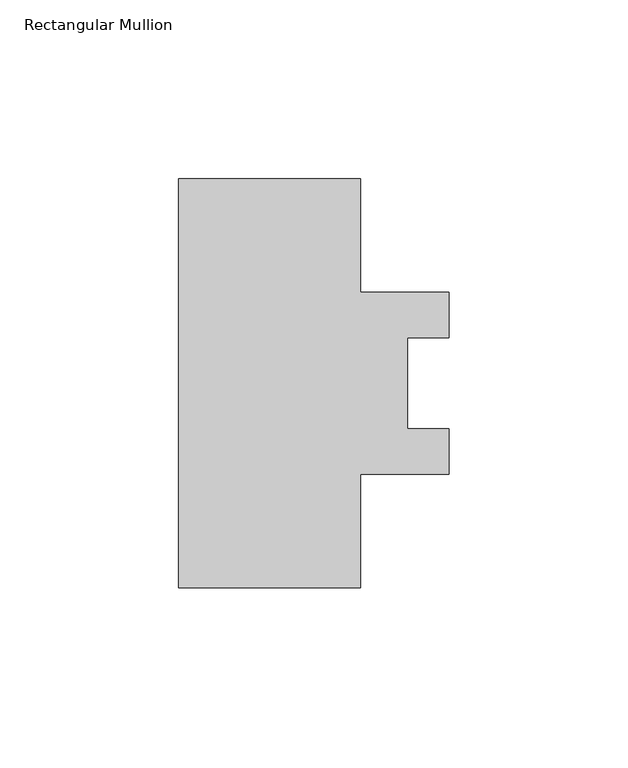
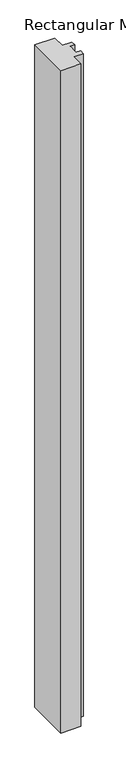
"""IFC4 building model written with IfcOpenShell, lengths in millimetres: member geometry, Rectangular Mullion."""

from ifc_helpers import new_model, si_unit, frame, origin, place, context, project, spatial, polyline, outline, extrude, source, transform, mapped, element, save


def rectangular_mullion_3ad040ba(model_context):
    return source(origin(), model_context, "Body", "SweptSolid", [
        extrude(outline(polyline([(-25.4, -57.148246), (-25.4, 57.148246), (25.4, 57.148246), (25.4, 25.4355551), (50.1649746, 25.4355551), (50.1649746, 12.7), (38.4809843, 12.7), (38.4809843, -12.7), (50.1649746, -12.7), (50.1649746, -25.3644449), (25.4, -25.3644449), (25.4, -57.148246), (-25.4, -57.148246)])), frame((0.0, 0.0, -1778.0), z_axis=(0.0, 0.0, 1.0), x_axis=(1.0, 0.0, 0.0)), (0.0, 0.0, 1.0), 1778.0),
    ])


if __name__ == "__main__":
    model = new_model("IFC4")
    model_context = context("Model", 3, world=origin())
    ifc_project = project(units=[si_unit("LENGTHUNIT", "METRE", prefix="MILLI")], contexts=[model_context])
    site = spatial("IfcSite", under=ifc_project)
    building = spatial("IfcBuilding", under=site)
    placement = place(None, origin())
    rectangular_mullion_shape = rectangular_mullion_3ad040ba(model_context)
    element("IfcMember", 1, ObjectType="Rectangular Mullion", at=placement, inside=building, context=model_context, shape_type="MappedRepresentation", body=[
        mapped(rectangular_mullion_shape, transform((0.0, 0.0, 0.0), x_axis=(1.0, 0.0, 0.0), y_axis=(0.0, 1.0, 0.0), z_axis=(0.0, 0.0, 1.0))),
    ])
    save(model, "model.ifc")
